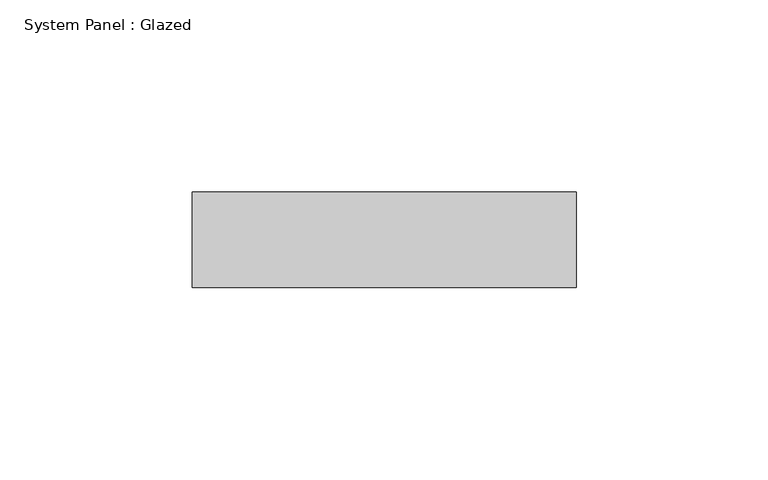
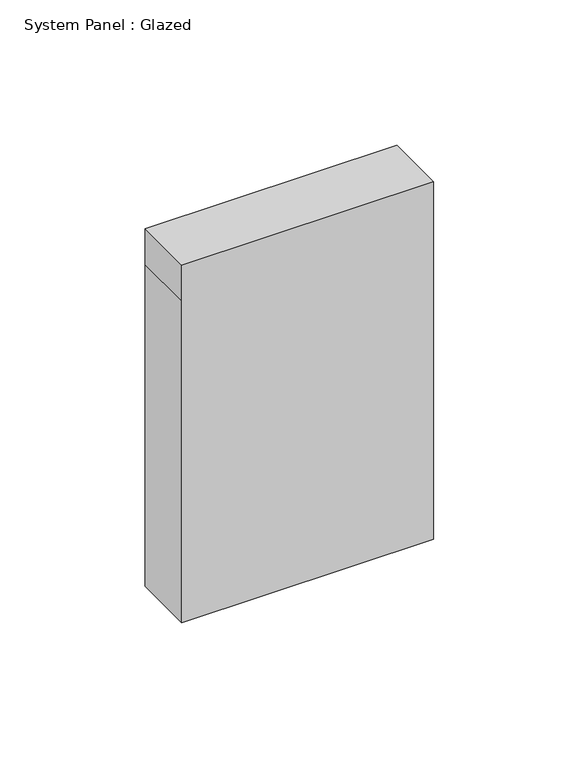
"""IFC4 building model written with IfcOpenShell, lengths in millimetres: plate geometry, System Panel : Glazed."""

import ifcopenshell
import ifcopenshell.guid

model = None  # the IFC model being written
_history = None  # IfcOwnerHistory: only IFC2X3 demands one
_inside = {}  # id of a spatial element -> (the spatial element, [elements in it])
_under = {}  # id of a project, library or spatial element -> (it, [spatial elements below it])
_declared = {}  # id of a project -> (the project, [libraries it declares])
_typed = {}  # id of a type object -> (the type object, [elements of that type])
_made_of = {}  # id of a material, layer set ... -> (it, [elements and type objects made of it])


def new_model(schema):
    """Start an empty IFC model of exactly this schema.

    Asked for "IFC4X3", IfcOpenShell would pick the latest addendum, in which some entities
    have other attributes; the version numbers below select the first issue.
    IFC2X3 requires an IfcOwnerHistory on every rooted entity: one is made here for all.
    """
    global model, _history
    if schema == "IFC4X3":
        model = ifcopenshell.file(schema_version=(4, 3, 0, 0))
    else:
        model = ifcopenshell.file(schema=schema)
    _inside.clear()
    _under.clear()
    _declared.clear()
    _typed.clear()
    _made_of.clear()
    _history = None
    if model.schema == "IFC2X3":
        org = make("IfcOrganization", Name="unknown")
        user = make(
            "IfcPersonAndOrganization",
            ThePerson=make("IfcPerson", FamilyName="unknown"),
            TheOrganization=org,
        )
        app = make(
            "IfcApplication",
            ApplicationDeveloper=org,
            Version="unknown",
            ApplicationFullName="unknown",
            ApplicationIdentifier="unknown",
        )
        _history = make(
            "IfcOwnerHistory",
            OwningUser=user,
            OwningApplication=app,
            ChangeAction="ADDED",
            CreationDate=0,
        )
    return model


def make(cls, **values):
    """One entity of the class cls with the attributes given. An attribute that is None is left unset."""
    return model.create_entity(
        cls, **{name: value for name, value in values.items() if value is not None}
    )


def rooted(cls, **values):
    """An entity with a GlobalId (a new one), such as an element, a storey or a relation."""
    return make(cls, GlobalId=ifcopenshell.guid.new(), OwnerHistory=_history, **values)


def si_unit(unit_type, name, prefix=None):
    """IfcSIUnit, for example si_unit("LENGTHUNIT", "METRE", prefix="MILLI")."""
    return make("IfcSIUnit", UnitType=unit_type, Prefix=prefix, Name=name)


def assignment(units):
    """IfcUnitAssignment: the units of a project."""
    return None if units is None else make("IfcUnitAssignment", Units=units)


def point(xyz):
    """IfcCartesianPoint."""
    return None if xyz is None else make("IfcCartesianPoint", Coordinates=xyz)


def direction(xyz):
    """IfcDirection."""
    return None if xyz is None else make("IfcDirection", DirectionRatios=xyz)


def frame(location, z_axis=None, x_axis=None):
    """IfcAxis2Placement3D, a coordinate frame: its origin and axes. An axis left out is left unset."""
    return make(
        "IfcAxis2Placement3D",
        Location=point(location),
        Axis=direction(z_axis),
        RefDirection=direction(x_axis),
    )


def origin():
    """The frame at (0, 0, 0) with its axes left unset."""
    return frame((0.0, 0.0, 0.0))


def place(relative_to, where):
    """IfcLocalPlacement: puts the frame where relative to a parent placement (None: the world)."""
    return make(
        "IfcLocalPlacement", PlacementRelTo=relative_to, RelativePlacement=where
    )


def context(
    kind, dimensions, precision=None, world=None, true_north=None, identifier=None
):
    """IfcGeometricRepresentationContext, for example the 3D "Model" context."""
    return make(
        "IfcGeometricRepresentationContext",
        ContextIdentifier=identifier,
        ContextType=kind,
        CoordinateSpaceDimension=dimensions,
        Precision=precision,
        WorldCoordinateSystem=world,
        TrueNorth=true_north,
    )


def project(units=None, contexts=None):
    """IfcProject with its units and contexts."""
    return rooted(
        "IfcProject",
        Name="project",
        RepresentationContexts=contexts,
        UnitsInContext=assignment(units),
    )


def spatial(cls, under=None, at=None, **own):
    """A site, building, storey or space (cls), placed at a placement, below another one or the project."""
    s = rooted(cls, ObjectPlacement=at, **own)
    if under is not None:
        _under.setdefault(under.id(), (under, []))[1].append(s)
    return s


def polyline(points):
    """IfcPolyline through the points."""
    return make("IfcPolyline", Points=[point(p) for p in points])


def outline(outer, holes=None, kind="AREA"):
    """IfcArbitraryClosedProfileDef: a profile drawn as a closed curve; with holes, ...WithVoids."""
    if holes is None:
        return make("IfcArbitraryClosedProfileDef", ProfileType=kind, OuterCurve=outer)
    return make(
        "IfcArbitraryProfileDefWithVoids",
        ProfileType=kind,
        OuterCurve=outer,
        InnerCurves=holes,
    )


def extrude(swept, where, along, depth):
    """IfcExtrudedAreaSolid: the profile swept, set in the frame where, extruded along a direction by depth."""
    return make(
        "IfcExtrudedAreaSolid",
        SweptArea=swept,
        Position=where,
        ExtrudedDirection=direction(along),
        Depth=depth,
    )


def shape(context_of_items, identifier, shape_type, items):
    """IfcShapeRepresentation: the items that make up one representation, for example the "Body"."""
    return make(
        "IfcShapeRepresentation",
        ContextOfItems=context_of_items,
        RepresentationIdentifier=identifier,
        RepresentationType=shape_type,
        Items=items,
    )


def source(mapping_origin, context_of_items, identifier, shape_type, items):
    """IfcRepresentationMap: a shape defined once, which mapped items show again and again."""
    return make(
        "IfcRepresentationMap",
        MappingOrigin=mapping_origin,
        MappedRepresentation=shape(context_of_items, identifier, shape_type, items),
    )


def transform(
    local_origin,
    x_axis=None,
    y_axis=None,
    z_axis=None,
    scale=None,
    scale2=None,
    scale3=None,
    uniform=True,
):
    """IfcCartesianTransformationOperator3D, or its non-uniform kind. x_axis, y_axis, z_axis: its Axis1, 2, 3."""
    if uniform:
        return make(
            "IfcCartesianTransformationOperator3D",
            Axis1=direction(x_axis),
            Axis2=direction(y_axis),
            LocalOrigin=point(local_origin),
            Scale=scale,
            Axis3=direction(z_axis),
        )
    return make(
        "IfcCartesianTransformationOperator3DnonUniform",
        Axis1=direction(x_axis),
        Axis2=direction(y_axis),
        LocalOrigin=point(local_origin),
        Scale=scale,
        Axis3=direction(z_axis),
        Scale2=scale2,
        Scale3=scale3,
    )


def mapped(mapping_source, mapping_target):
    """IfcMappedItem: shows the shape of a source again, moved by a transform."""
    return make(
        "IfcMappedItem", MappingSource=mapping_source, MappingTarget=mapping_target
    )


def made_of(thing, what):
    """Note that an element or type object is made of a material, layer set ...; save() writes the relation."""
    if what is not None:
        _made_of.setdefault(what.id(), (what, []))[1].append(thing)
    return thing


def element(
    cls,
    number,
    at=None,
    inside=None,
    cuts=None,
    type_object=None,
    material=None,
    context=None,
    identifier="Body",
    shape_type=None,
    held_by="IfcProductDefinitionShape",
    body=None,
    shapes=None,
    **own,
):
    """One element of the class cls, such as IfcWall. Its Tag is "e" and its number.

    at: its placement. inside: the storey or other place that contains it. cuts: it is an
    opening in that element (IfcRelVoidsElement). A single representation is given by context,
    identifier, shape_type and body (its items); several are given by shapes. held_by: the class
    of the entity that holds the representations. save() writes the other relations.
    """
    e = rooted(cls, Tag="e%d" % number, ObjectPlacement=at, **own)
    if body is not None:
        shapes = [shape(context, identifier, shape_type, body)]
    if shapes is not None:
        e.Representation = make(held_by, Representations=shapes)
    if inside is not None:
        _inside.setdefault(inside.id(), (inside, []))[1].append(e)
    if cuts is not None:
        rooted(
            "IfcRelVoidsElement", RelatingBuildingElement=cuts, RelatedOpeningElement=e
        )
    if type_object is not None:
        _typed.setdefault(type_object.id(), (type_object, []))[1].append(e)
    return made_of(e, material)


def aggregate(whole, parts):
    """IfcRelAggregates: a whole, such as a stair, and the parts it consists of."""
    return rooted("IfcRelAggregates", RelatingObject=whole, RelatedObjects=parts)


def save(model, path):
    """Write the relations noted so far, then the file.

    IfcRelAggregates (storeys below a building ...), IfcRelContainedInSpatialStructure (elements
    in a storey), IfcRelDefinesByType, IfcRelAssociatesMaterial and IfcRelDeclares: one each for
    every whole, place, type object, material and project.
    """
    for whole, parts in _under.values():
        aggregate(whole, parts)
    for where, things in _inside.values():
        rooted(
            "IfcRelContainedInSpatialStructure",
            RelatedElements=things,
            RelatingStructure=where,
        )
    for kind, things in _typed.values():
        rooted("IfcRelDefinesByType", RelatedObjects=things, RelatingType=kind)
    for what, things in _made_of.values():
        rooted("IfcRelAssociatesMaterial", RelatedObjects=things, RelatingMaterial=what)
    for by, libraries in _declared.values():
        rooted("IfcRelDeclares", RelatingContext=by, RelatedDefinitions=libraries)
    model.write(path)


def system_panel_glazed_99167864(model_context):
    return source(origin(), model_context, "Body", "SweptSolid", [
        extrude(outline(polyline([(0.0, -50.0), (0.0, 50.0), (135.0, 50.0), (150.0, 50.0), (150.0, -50.0), (135.0, -50.0), (0.0, -50.0)])), frame((0.0, -49.5, 0.0), z_axis=(0.0, 1.0, 0.0), x_axis=(0.0, 0.0, 1.0)), (0.0, 0.0, 1.0), 25.0),
    ])


if __name__ == "__main__":
    model = new_model("IFC4")
    model_context = context("Model", 3, world=origin())
    ifc_project = project(units=[si_unit("LENGTHUNIT", "METRE", prefix="MILLI")], contexts=[model_context])
    site = spatial("IfcSite", under=ifc_project)
    building = spatial("IfcBuilding", under=site)
    placement = place(None, origin())
    system_panel_glazed_shape = system_panel_glazed_99167864(model_context)
    element("IfcPlate", 1, ObjectType="System Panel : Glazed", at=placement, inside=building, context=model_context, shape_type="MappedRepresentation", body=[
        mapped(system_panel_glazed_shape, transform((0.0, 0.0, 0.0), x_axis=(1.0, 0.0, 0.0), y_axis=(0.0, 1.0, 0.0), z_axis=(0.0, 0.0, 1.0))),
    ])
    save(model, "model.ifc")
